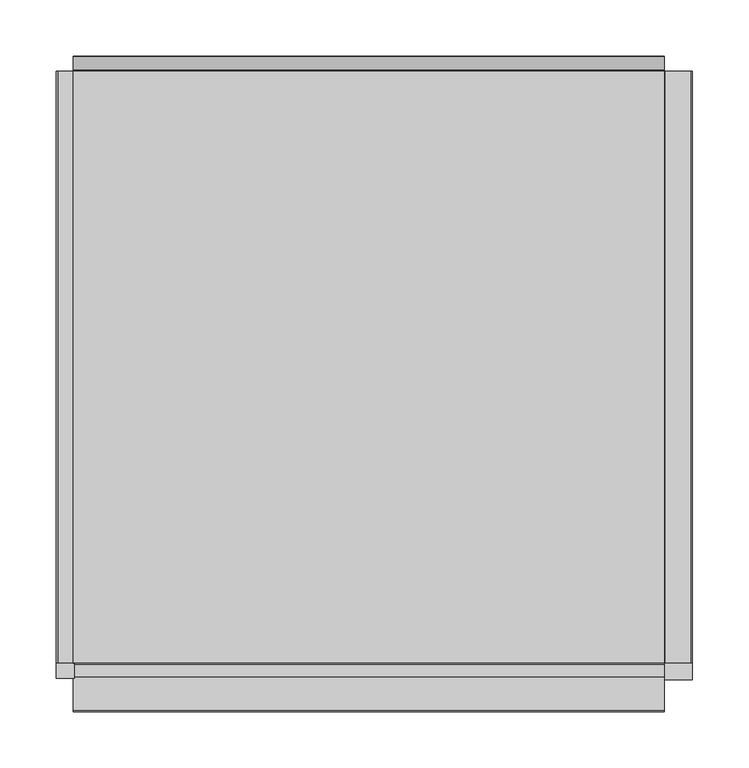
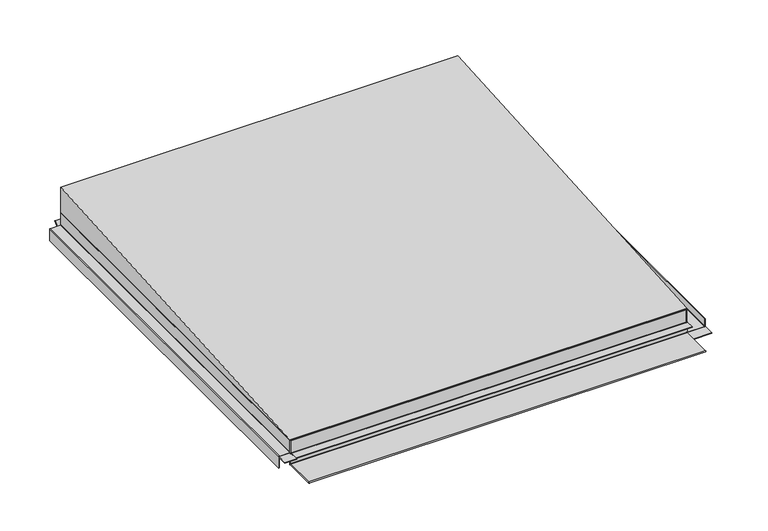
"""IFC4 building model written with IfcOpenShell, lengths in millimetres: proxy geometry."""

from ifc_helpers import new_model, si_unit, point, frame, frame_2d, origin, origin_with_axes, place, context, project, spatial, polyline, circle_curve, trimmed, segment, composite_curve, outline, extrude, faceted_brep, source, transform, mapped, element, save


def generic_models_cdc5cd84(model_context):
    return source(origin(), model_context, "Body", "SolidModel", [
        extrude(outline(composite_curve([segment(trimmed(circle_curve(frame_2d((17.2, -263.0)), 1.3), [point((15.9, -263.0))], [point((17.2, -261.7))], False, "CARTESIAN"), True, "CONTINUOUS"), segment(polyline([(17.2, -261.7), (33.33125, -261.7), (33.33125, -262.5), (17.2, -262.5)]), True, "CONTINUOUS"), segment(trimmed(circle_curve(frame_2d((17.2, -263.0)), 0.5), [point((17.2, -262.5))], [point((16.7, -263.0))], True, "CARTESIAN"), True, "CONTINUOUS"), segment(polyline([(16.7, -263.0), (16.7, -276.2)]), True, "CONTINUOUS"), segment(trimmed(circle_curve(frame_2d((15.4, -276.2)), 1.3), [point((16.7, -276.2))], [point((15.4, -277.5))], False, "CARTESIAN"), True, "CONTINUOUS"), segment(polyline([(15.4, -277.5), (0.33125, -277.5), (0.33125, -276.7), (15.4, -276.7)]), True, "CONTINUOUS"), segment(trimmed(circle_curve(frame_2d((15.4, -276.2)), 0.5), [point((15.4, -276.7))], [point((15.9, -276.2))], True, "CARTESIAN"), True, "CONTINUOUS"), segment(polyline([(15.9, -276.2), (15.9, -263.0)]), True, "CONTINUOUS")], self_intersect=False)), frame((0.0, -262.5, 0.0), z_axis=(0.0, 1.0, 0.0), x_axis=(0.0, 0.0, 1.0)), (0.0, 0.0, 1.0), 525.0),
        extrude(outline(polyline([(-277.5, -276.5), (-277.5, -262.5), (-261.7, -262.5), (-261.7, -276.5), (-277.5, -276.5)])), frame((0.0, 0.0, 15.9), z_axis=(0.0, 0.0, 1.0), x_axis=(1.0, 0.0, 0.0)), (0.0, 0.0, 1.0), 0.8),
        extrude(outline(composite_curve([segment(trimmed(circle_curve(frame_2d((1.63125, 285.9)), 1.3), [point((0.33125, 285.9))], [point((1.63125, 287.2))], False, "CARTESIAN"), True, "CONTINUOUS"), segment(polyline([(1.63125, 287.2), (11.33125, 287.2), (11.33125, 286.4), (1.63125, 286.4)]), True, "CONTINUOUS"), segment(trimmed(circle_curve(frame_2d((1.63125, 285.9)), 0.5), [point((1.63125, 286.4))], [point((1.13125, 285.9))], True, "CARTESIAN"), True, "CONTINUOUS"), segment(polyline([(1.13125, 285.9), (1.13125, 263.0)]), True, "CONTINUOUS"), segment(trimmed(circle_curve(frame_2d((1.63125, 263.0)), 0.5), [point((1.13125, 263.0))], [point((1.63125, 262.5))], True, "CARTESIAN"), True, "CONTINUOUS"), segment(polyline([(1.63125, 262.5), (33.33125, 262.5), (33.33125, 261.7), (1.63125, 261.7)]), True, "CONTINUOUS"), segment(trimmed(circle_curve(frame_2d((1.63125, 263.0)), 1.3), [point((1.63125, 261.7))], [point((0.33125, 263.0))], False, "CARTESIAN"), True, "CONTINUOUS"), segment(polyline([(0.33125, 263.0), (0.33125, 285.9)]), True, "CONTINUOUS")], self_intersect=False)), frame((0.0, -262.5, 0.0), z_axis=(0.0, 1.0, 0.0), x_axis=(0.0, 0.0, 1.0)), (0.0, 0.0, 1.0), 525.0),
        extrude(outline(polyline([(287.2, -277.5), (261.7, -277.5), (261.7, -262.5), (287.2, -262.5), (287.2, -277.5)])), frame((0.0, 0.0, 0.33125), z_axis=(0.0, 0.0, 1.0), x_axis=(1.0, 0.0, 0.0)), (0.0, 0.0, 1.0), 0.8),
        extrude(outline(composite_curve([segment(polyline([(-263.0, 0.0), (-305.15, 0.0)]), True, "CONTINUOUS"), segment(trimmed(circle_curve(frame_2d((-305.15, 0.85)), 0.85), [point((-305.15, 0.0))], [point((-305.15, 1.7))], False, "CARTESIAN"), True, "CONTINUOUS"), segment(polyline([(-305.15, 1.7), (-264.05, 1.7)]), True, "CONTINUOUS"), segment(trimmed(circle_curve(frame_2d((-264.05, 2.2)), 0.5), [point((-264.05, 1.7))], [point((-263.55, 2.2))], True, "CARTESIAN"), True, "CONTINUOUS"), segment(polyline([(-263.55, 2.2), (-263.55, 15.4)]), True, "CONTINUOUS"), segment(trimmed(circle_curve(frame_2d((-264.05, 15.4)), 0.5), [point((-263.55, 15.4))], [point((-264.05, 15.9))], True, "CARTESIAN"), True, "CONTINUOUS"), segment(polyline([(-264.05, 15.9), (-275.15, 15.9), (-275.15, 16.7), (-264.05, 16.7)]), True, "CONTINUOUS"), segment(trimmed(circle_curve(frame_2d((-264.05, 15.4)), 1.3), [point((-264.05, 16.7))], [point((-262.75, 15.4))], False, "CARTESIAN"), True, "CONTINUOUS"), segment(polyline([(-262.75, 15.4), (-262.75, 2.4014965)]), True, "CONTINUOUS"), segment(trimmed(circle_curve(frame_2d((-264.05, 2.4014965)), 1.3), [point((-262.75, 2.4014965))], [point((-264.05, 1.1014965))], False, "CARTESIAN"), True, "CONTINUOUS"), segment(polyline([(-264.05, 1.1014965), (-304.3115501, 1.1014965)]), True, "CONTINUOUS"), segment(trimmed(circle_curve(frame_2d((-304.3115501, 0.699934)), 0.4015625), [point((-304.3115501, 1.1014965))], [point((-304.3115501, 0.2983715))], True, "CARTESIAN"), True, "CONTINUOUS"), segment(polyline([(-304.3115501, 0.2983715), (-263.0, 0.2983715)]), True, "CONTINUOUS"), segment(trimmed(circle_curve(frame_2d((-263.0, 0.7983715)), 0.5), [point((-263.0, 0.2983715))], [point((-262.5, 0.7983715))], True, "CARTESIAN"), True, "CONTINUOUS"), segment(polyline([(-262.5, 0.7983715), (-262.5, 33.0), (-261.7, 33.0), (-261.7, 1.3)]), True, "CONTINUOUS"), segment(trimmed(circle_curve(frame_2d((-263.0, 1.3)), 1.3), [point((-261.7, 1.3))], [point((-263.0, 0.0))], False, "CARTESIAN"), True, "CONTINUOUS")], self_intersect=False)), frame((-262.5, 0.0, 0.0), z_axis=(1.0, 0.0, 0.0), x_axis=(0.0, 1.0, 0.0)), (0.0, 0.0, 1.0), 525.0),
        extrude(outline(composite_curve([segment(trimmed(circle_curve(frame_2d((263.0, 3.3)), 0.5), [point((262.5, 3.3))], [point((263.4778194, 3.4472706))], True, "CARTESIAN"), True, "CONTINUOUS"), segment(polyline([(263.4778194, 3.4472706), (275.3707904, 15.3402417), (275.9627491, 14.748283), (264.2783838, 3.0639176)]), True, "CONTINUOUS"), segment(trimmed(circle_curve(frame_2d((263.0, 3.3)), 1.3), [point((264.2783838, 3.0639176))], [point((261.7, 3.3))], False, "CARTESIAN"), True, "CONTINUOUS"), segment(polyline([(261.7, 3.3), (261.7, 33.0), (262.5, 33.0), (262.5, 3.3)]), True, "CONTINUOUS")], self_intersect=False)), frame((-262.5, 0.0, 0.0), z_axis=(1.0, 0.0, 0.0), x_axis=(0.0, 1.0, 0.0)), (0.0, 0.0, 1.0), 525.0),
        faceted_brep([(-262.5, -262.5, 34.0), (262.5, -262.5, 34.0), (262.5, 262.5, 34.0), (-262.5, 262.5, 34.0), (-262.5, -262.5, 33.0), (-262.5, -261.7, 33.0), (-262.5, 262.5, 33.0), (262.5, 262.5, 33.0), (262.5, -261.7, 33.0), (262.5, -262.5, 33.0)], [[[0, 1, 2, 3]], [[4, 5, 6, 7, 8, 9]], [[3, 6, 5, 4, 0]], [[2, 7, 6, 3]], [[1, 9, 8, 7, 2]], [[0, 4, 9, 1]]]),
        extrude(outline(polyline([(-262.5, 33.8), (-262.5, 35.0), (262.5, 70.0), (262.5, 33.8), (-262.5, 33.8)])), frame((-262.5, 0.0, 0.0), z_axis=(1.0, 0.0, 0.0), x_axis=(0.0, 1.0, 0.0)), (0.0, 0.0, 1.0), 525.0),
        extrude(outline(polyline([(-0.1220666, -180.1921617), (-13.0867626, -150.6305075), (-9.91791, -150.6305075), (-5.4617951, -161.0090595), (5.3292249, -161.0090595), (9.8335793, -150.6925142), (13.0024319, -150.6925142), (-0.1220666, -180.1921617)]), holes=[polyline([(-0.0961477, -173.454525), (4.2611547, -163.4439826), (-4.4070417, -163.4439826), (-0.0961477, -173.454525)])]), origin_with_axes(), (0.0, 0.0, 1.0), 10.0),
        extrude(outline(polyline([(-15.8168514, 123.0984911), (-13.4786603, 124.898283), (-8.883038, 121.2256309), (-2.9952575, 119.9757754), (3.5001451, 121.6909616), (8.1342245, 126.2981211), (9.7801879, 132.8050607), (6.1036901, 141.9193911), (-3.1721601, 145.5728147), (-13.4786603, 140.6503072), (-15.8168514, 142.4270247), (-10.3674817, 146.5688534), (-3.0721717, 148.0340685), (9.0187375, 142.9577326), (12.7336925, 132.6050839), (8.2380586, 121.87171), (-3.0337146, 117.5145216), (-10.4136302, 118.9835825), (-15.8168514, 123.0984911)])), origin_with_axes(), (0.0, 0.0, 1.0), 10.0),
        extrude(outline(polyline([(158.201296, 9.7210736), (159.5670006, -19.7823797), (153.3973983, -20.0679684), (143.6521313, -19.4565212), (136.6379106, -14.553142), (133.7891417, -5.8227088), (135.3602994, 2.0690182), (140.1509798, 7.276303), (148.7279215, 9.2825544), (158.201296, 9.7210736)]), holes=[polyline([(155.3647594, 7.125882), (151.930373, 6.9669055), (143.415258, 5.787379), (138.3309508, 1.5174095), (136.7387757, -5.670772), (139.1692819, -13.1000757), (145.1683672, -17.1149372), (154.3976522, -17.5577777), (156.5028466, -17.460329), (155.3647594, 7.125882)])]), origin_with_axes(), (0.0, 0.0, 1.0), 10.0),
        extrude(outline(polyline([(-125.6404678, -14.5350453), (-131.4474885, -14.5350453), (-136.8353268, -13.7159093), (-139.8080599, -11.2008156), (-140.9002413, -7.4281751), (-139.965734, -3.9055056), (-137.2237434, -1.3288805), (-140.7502586, 0.5324426), (-142.6731131, 3.1206048), (-143.361495, 6.408686), (-140.75795, 12.5041348), (-133.7702967, 15.0), (-125.6404678, 15.0), (-125.6404678, -14.5350453)]), holes=[polyline([(-128.5939724, -12.0737916), (-128.5939724, -2.2287765), (-130.2860843, -2.2287765), (-134.8086382, -2.8248613), (-137.1006807, -4.7054131), (-137.9467367, -7.5589292), (-136.5276701, -10.8700846), (-132.0166534, -12.0737916), (-128.5939724, -12.0737916)]), polyline([(-128.5939724, 0.2324773), (-128.5939724, 12.5387462), (-132.2781616, 12.5387462), (-137.0506865, 11.8503643), (-139.488866, 9.700613), (-140.4079905, 6.5394401), (-139.1042951, 2.8091024), (-135.5162486, 0.6247396), (-130.2630101, 0.2324773), (-128.5939724, 0.2324773)])]), origin_with_axes(), (0.0, 0.0, 1.0), 10.0),
    ])


if __name__ == "__main__":
    model = new_model("IFC4")
    model_context = context("Model", 3, world=origin())
    ifc_project = project(units=[si_unit("LENGTHUNIT", "METRE", prefix="MILLI")], contexts=[model_context])
    site = spatial("IfcSite", under=ifc_project)
    building = spatial("IfcBuilding", under=site)
    placement = place(None, origin())
    generic_models_shape = generic_models_cdc5cd84(model_context)
    element("IfcBuildingElementProxy", 1, Name="Generic Models", at=placement, inside=building, context=model_context, shape_type="MappedRepresentation", body=[
        mapped(generic_models_shape, transform((0.0, 0.0, 0.0), x_axis=(1.0, 0.0, 0.0), y_axis=(0.0, 1.0, 0.0), z_axis=(0.0, 0.0, 1.0))),
    ])
    save(model, "model.ifc")
